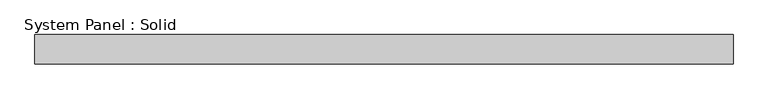
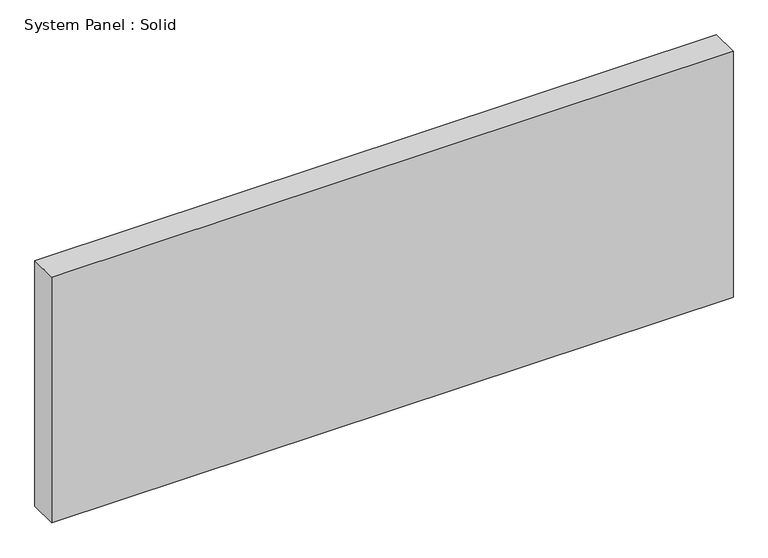
"""IFC4 building model written with IfcOpenShell, lengths in millimetres: plate geometry, System Panel : Solid."""

from ifc_helpers import new_model, si_unit, origin, origin_with_axes, place, context, project, spatial, polyline, outline, extrude, source, transform, mapped, element, save


def system_panel_solid_1afbd22d(model_context):
    return source(origin(), model_context, "Body", "SweptSolid", [
        extrude(outline(polyline([(749.3, -19.05), (-749.3, -19.05), (-749.3, 44.45), (749.3, 44.45), (749.3, -19.05)])), origin_with_axes(), (0.0, 0.0, 1.0), 571.5),
    ])


if __name__ == "__main__":
    model = new_model("IFC4")
    model_context = context("Model", 3, world=origin())
    ifc_project = project(units=[si_unit("LENGTHUNIT", "METRE", prefix="MILLI")], contexts=[model_context])
    site = spatial("IfcSite", under=ifc_project)
    building = spatial("IfcBuilding", under=site)
    placement = place(None, origin())
    system_panel_solid_shape = system_panel_solid_1afbd22d(model_context)
    element("IfcPlate", 1, ObjectType="System Panel : Solid", at=placement, inside=building, context=model_context, shape_type="MappedRepresentation", body=[
        mapped(system_panel_solid_shape, transform((0.0, 0.0, 0.0), x_axis=(1.0, 0.0, 0.0), y_axis=(0.0, 1.0, 0.0), z_axis=(0.0, 0.0, 1.0))),
    ])
    save(model, "model.ifc")
